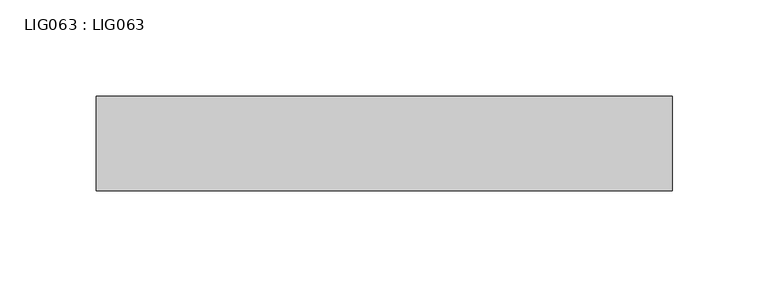
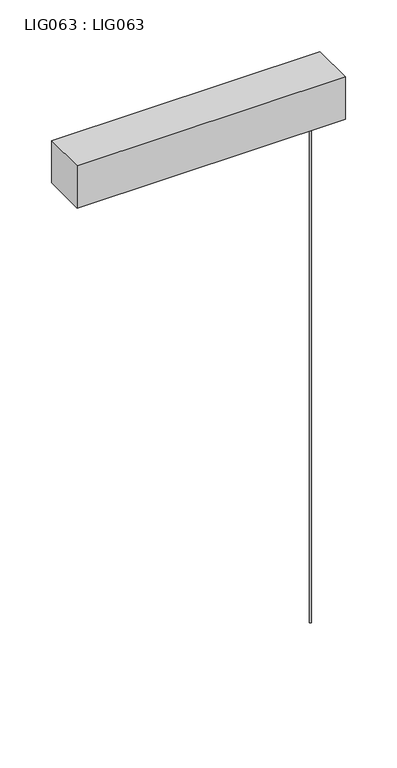
"""IFC4 building model written with IfcOpenShell, lengths in millimetres: proxy geometry, LIG063 : LIG063."""

from ifc_helpers import new_model, si_unit, point, frame, frame_2d, origin, origin_with_axes, place, context, project, spatial, polyline, circle_curve, trimmed, segment, composite_curve, outline, extrude, source, transform, mapped, element, save


def lig063_lig063_63af91fe(model_context):
    return source(origin(), model_context, "Body", "SweptSolid", [
        extrude(outline(composite_curve([segment(trimmed(circle_curve(frame_2d((125.0, -25.0)), 1.0366289), [point((123.9633711, -25.0))], [point((126.0366289, -25.0))], False, "CARTESIAN"), True, "CONTINUOUS"), segment(trimmed(circle_curve(frame_2d((125.0, -25.0)), 1.0366289), [point((126.0366289, -25.0))], [point((123.9633711, -25.0))], False, "CARTESIAN"), True, "CONTINUOUS")], self_intersect=False)), frame((0.0, 0.0, -600.0), z_axis=(0.0, 0.0, 1.0), x_axis=(1.0, 0.0, 0.0)), (0.0, 0.0, 1.0), 600.0),
        extrude(outline(polyline([(150.0, 0.0), (150.0, -49.2976109), (-150.0, -49.2976109), (-150.0, 0.0), (150.0, 0.0)])), origin_with_axes(), (0.0, 0.0, 1.0), 50.0000004),
    ])


if __name__ == "__main__":
    model = new_model("IFC4")
    model_context = context("Model", 3, world=origin())
    ifc_project = project(units=[si_unit("LENGTHUNIT", "METRE", prefix="MILLI")], contexts=[model_context])
    site = spatial("IfcSite", under=ifc_project)
    building = spatial("IfcBuilding", under=site)
    placement = place(None, origin())
    lig063_lig063_shape = lig063_lig063_63af91fe(model_context)
    element("IfcBuildingElementProxy", 1, Name="LIG063 : LIG063", ObjectType="LIG063 : LIG063", at=placement, inside=building, context=model_context, shape_type="MappedRepresentation", body=[
        mapped(lig063_lig063_shape, transform((0.0, 0.0, 0.0), x_axis=(1.0, 0.0, 0.0), y_axis=(0.0, 1.0, 0.0), z_axis=(0.0, 0.0, 1.0))),
    ])
    save(model, "model.ifc")
